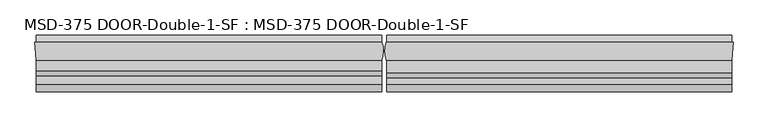
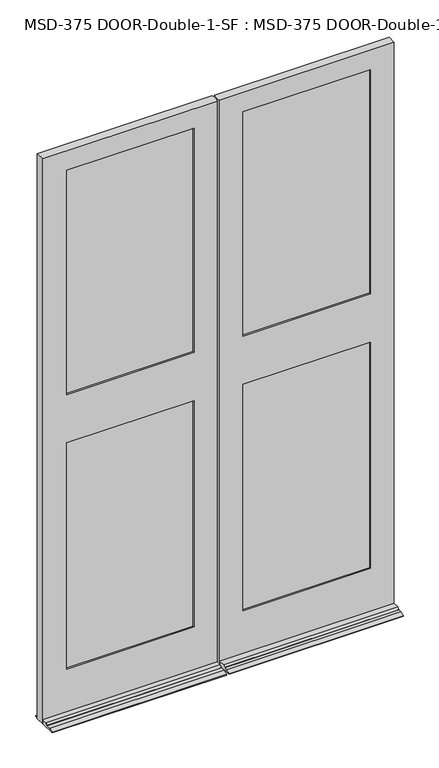
"""IFC4 building model written with IfcOpenShell, lengths in millimetres: plate geometry, MSD-375 DOOR-Double-1-SF : MSD-375 DOOR-Double-1-SF."""

from ifc_helpers import new_model, si_unit, frame, origin, place, context, project, spatial, polyline, circle_curve, outline, extrude, source, transform, mapped, element, save
from ifc_brep_helpers import plane_surface, cylinder_surface, advanced_brep


def msd_375_door_double_1_sf_msd_375_door_double_1_sf_8f9e83a0(model_context):
    return source(origin(), model_context, "Body", "SolidModel", [
        advanced_brep(
        [(-875.0542327, -44.45, 0.0), (-877.8228327, 0.0, 0.0), (-874.8313901, 0.0, 0.0), (-874.8313901, 19.05, 0.0), (-6.1450388, 19.05, 0.0), (-6.1450388, 0.0, 0.0), (-5.5889985, 0.0, 0.0), (-6.1450388, -44.45, 0.0), (-6.1450388, -123.825, 0.0), (-874.8313901, -123.825, 0.0), (-874.8313901, -44.45, 0.0), (-6.1450388, -44.45, 21.4376), (-6.1450388, -70.3199, 21.4376), (-6.1450388, -82.7405, 14.2748), (-6.1450388, -82.7405, 12.7), (-6.1450388, -104.775, 12.7), (-6.1450388, -123.825, 3.175), (-6.1450388, 19.05, 3.175), (-6.1450388, 0.0, 12.7), (-874.8313901, 0.0, 12.7), (-874.8313901, 19.05, 3.175), (-874.8313901, -123.825, 3.175), (-874.8313901, -104.775, 12.7), (-874.8313901, -82.7405, 12.7), (-874.8313901, -82.7405, 14.2748), (-874.8313901, -70.3199, 21.4376), (-874.8313901, -44.45, 21.4376), (-122.2373508, -11.6078, 1670.8374), (-122.2373508, -37.0078, 1670.8374), (-122.2373508, -37.0078, 1456.5122), (-122.2373508, -11.6078, 1456.5122), (-122.2373508, 0.0, 1436.6748), (-122.2373508, 0.0, 246.0625), (-122.2373508, -11.6078, 246.0625), (-122.2373508, -11.6078, 1436.6748), (-122.2373508, -11.6078, 1690.6748), (-122.2373508, -11.6078, 2870.2), (-122.2373508, 0.0, 2870.2), (-122.2373508, 0.0, 1690.6748), (-102.3999508, -37.0078, 2890.0374), (-102.3999508, -11.6078, 2890.0374), (-102.3999508, -11.6078, 226.21875), (-102.3999508, -37.0078, 226.21875), (-122.2373508, -37.0078, 1436.6748), (-122.2373508, -37.0078, 246.0625), (-122.2373508, -44.45, 246.0625), (-122.2373508, -44.45, 1436.6748), (-122.2373508, -44.45, 1690.6748), (-122.2373508, -44.45, 2870.2), (-122.2373508, -37.0078, 2870.2), (-122.2373508, -37.0078, 1690.6748), (-757.1728327, -44.45, 246.0625), (-757.1728327, -37.0078, 246.0625), (-757.1728327, -37.0078, 1436.6748), (-757.1728327, -44.45, 1436.6748), (-757.1728327, -37.0078, 2870.2), (-757.1728327, -44.45, 2870.2), (-757.1728327, -44.45, 1690.6748), (-757.1728327, -37.0078, 1690.6748), (-777.0102327, -11.6078, 2890.0374), (-777.0102327, -37.0078, 2890.0374), (-777.0102327, -37.0078, 226.21875), (-777.0102327, -11.6078, 226.21875), (-757.1728327, -11.6078, 246.0625), (-757.1728327, 0.0, 246.0625), (-757.1728327, 0.0, 1436.6748), (-757.1728327, -11.6078, 1436.6748), (-757.1728327, 0.0, 2870.2), (-757.1728327, -11.6078, 2870.2), (-757.1728327, -11.6078, 1690.6748), (-757.1728327, 0.0, 1690.6748), (-757.1728327, -11.6078, 1670.8374), (-757.1728327, -37.0078, 1670.8374), (-757.1728327, -37.0078, 1456.5122), (-757.1728327, -11.6078, 1456.5122), (-5.5889985, 0.0, 2971.8), (-6.1450388, -44.45, 2971.8), (-875.0542327, -44.45, 2971.8), (-877.8228327, 0.0, 2971.8)],
        [
            (0, 1),
            (1, 2),
            (2, 3),
            (3, 4),
            (4, 5),
            (5, 6),
            (6, 7, circle_curve(frame((-61.4514685, -21.529675, 0.0), z_axis=(0.0, 0.0, -1.0), x_axis=(0.0, -1.0, 0.0)), 59.867708)),
            (7, 8),
            (8, 9),
            (9, 10),
            (10, 0),
            (11, 12),
            (12, 13),
            (13, 14),
            (14, 15),
            (15, 16),
            (16, 8),
            (7, 11),
            (4, 17),
            (17, 18),
            (18, 5),
            (19, 20),
            (20, 3),
            (2, 19),
            (9, 21),
            (21, 22),
            (22, 23),
            (23, 24),
            (24, 25),
            (25, 26),
            (26, 10),
            (27, 28),
            (28, 29),
            (29, 30),
            (30, 27),
            (31, 32),
            (32, 33),
            (33, 34),
            (34, 31),
            (35, 36),
            (36, 37),
            (37, 38),
            (38, 35),
            (39, 40),
            (40, 41),
            (41, 42),
            (42, 39),
            (43, 44),
            (44, 45),
            (45, 46),
            (46, 43),
            (47, 48),
            (48, 49),
            (49, 50),
            (50, 47),
            (51, 52),
            (52, 53),
            (53, 54),
            (54, 51),
            (55, 56),
            (56, 57),
            (57, 58),
            (58, 55),
            (59, 60),
            (60, 61),
            (61, 62),
            (62, 59),
            (63, 64),
            (64, 65),
            (65, 66),
            (66, 63),
            (67, 68),
            (68, 69),
            (69, 70),
            (70, 67),
            (63, 33),
            (32, 64),
            (61, 42),
            (41, 62),
            (51, 45),
            (44, 52),
            (11, 26),
            (25, 12),
            (24, 13),
            (23, 14),
            (22, 15),
            (21, 16),
            (20, 17),
            (19, 18),
            (38, 70),
            (69, 35),
            (27, 71),
            (71, 72),
            (72, 28),
            (50, 58),
            (57, 47),
            (46, 54),
            (53, 43),
            (29, 73),
            (73, 74),
            (74, 30),
            (34, 66),
            (65, 31),
            (75, 76, circle_curve(frame((-61.4514685, -21.529675, 2971.8), z_axis=(0.0, 0.0, -1.0), x_axis=(0.0, -1.0, 0.0)), 59.867708)),
            (76, 11),
            (6, 75),
            (77, 78),
            (78, 1),
            (0, 77),
            (78, 75),
            (37, 67),
            (36, 68),
            (40, 59),
            (74, 71),
            (39, 60),
            (49, 55),
            (72, 73),
            (48, 56),
            (76, 77),
        ],
        [
            plane_surface(frame((-882.65, -24.3078, 0.0), z_axis=(0.0, 0.0, -1.0), x_axis=(0.0, -1.0, 0.0))),
            plane_surface(frame((-6.1450388, -24.3078, 0.0), z_axis=(1.0, 0.0, 0.0), x_axis=(0.0, -1.0, 0.0))),
            plane_surface(frame((-874.8313901, -24.3078, 0.0), z_axis=(-1.0, 0.0, 0.0), x_axis=(0.0, -1.0, 0.0))),
            plane_surface(frame((-122.2373508, -24.3078, 1492.25), z_axis=(1.0, 0.0, 0.0), x_axis=(0.0, -1.0, 0.0))),
            plane_surface(frame((-122.2373508, 0.0, 2971.8), z_axis=(-1.0, 0.0, 0.0), x_axis=(0.0, 0.0, -1.0))),
            plane_surface(frame((-102.3999508, -11.6078, 2971.8), z_axis=(-1.0, 0.0, 0.0), x_axis=(0.0, 0.0, -1.0))),
            plane_surface(frame((-122.2373508, -37.0078, 2971.8), z_axis=(-1.0, 0.0, 0.0), x_axis=(0.0, 0.0, -1.0))),
            plane_surface(frame((-757.1728327, -44.45, 2971.8), z_axis=(1.0, 0.0, 0.0), x_axis=(0.0, 0.0, -1.0))),
            plane_surface(frame((-777.0102327, -37.0078, 2971.8), z_axis=(1.0, 0.0, 0.0), x_axis=(0.0, 0.0, -1.0))),
            plane_surface(frame((-757.1728327, -11.6078, 2971.8), z_axis=(1.0, 0.0, 0.0), x_axis=(0.0, 0.0, -1.0))),
            plane_surface(frame((-6.1450388, 0.0, 246.0625), z_axis=(0.0, 0.0, 1.0), x_axis=(-1.0, 0.0, 0.0))),
            plane_surface(frame((-6.1450388, -11.6078, 226.21875), z_axis=(0.0, 0.0, 1.0), x_axis=(-1.0, 0.0, 0.0))),
            plane_surface(frame((-6.1450388, -37.0078, 246.0625), z_axis=(0.0, 0.0, 1.0), x_axis=(-1.0, 0.0, 0.0))),
            plane_surface(frame((-6.1450388, -44.45, 21.4376), z_axis=(0.0, 0.0, 1.0), x_axis=(-1.0, 0.0, 0.0))),
            plane_surface(frame((-6.1450388, -70.3199, 21.4376), z_axis=(0.0, -0.499569084188723, 0.8662740502420933), x_axis=(-1.0, 0.0, 0.0))),
            plane_surface(frame((-6.1450388, -82.7405, 14.2748), z_axis=(0.0, -1.0, 0.0), x_axis=(-1.0, 0.0, 0.0))),
            plane_surface(frame((-6.1450388, -82.7405, 12.7), z_axis=(0.0, 0.0, 1.0), x_axis=(-1.0, 0.0, 0.0))),
            plane_surface(frame((-6.1450388, -104.775, 12.7), z_axis=(0.0, -0.44721359549995665, 0.8944271909999165), x_axis=(-1.0, 0.0, 0.0))),
            plane_surface(frame((-6.1450388, -123.825, 3.175), z_axis=(0.0, -1.0, 0.0), x_axis=(-1.0, 0.0, 0.0))),
            plane_surface(frame((-6.1450388, 19.05, 0.0), z_axis=(0.0, 1.0, 0.0), x_axis=(-1.0, 0.0, 0.0))),
            plane_surface(frame((-6.1450388, 19.05, 3.175), z_axis=(0.0, 0.4472135954998658, 0.8944271909999619), x_axis=(-1.0, 0.0, 0.0))),
            plane_surface(frame((-122.2373508, 0.0, 1690.6748), z_axis=(0.0, 0.0, 1.0), x_axis=(-1.0, 0.0, 0.0))),
            plane_surface(frame((-122.2373508, -11.6078, 1670.8374), z_axis=(0.0, 0.0, 1.0), x_axis=(-1.0, 0.0, 0.0))),
            plane_surface(frame((-122.2373508, -37.0078, 1690.6748), z_axis=(0.0, 0.0, 1.0), x_axis=(-1.0, 0.0, 0.0))),
            plane_surface(frame((-122.2373508, -44.45, 1436.6748), z_axis=(0.0, 0.0, -1.0), x_axis=(-1.0, 0.0, 0.0))),
            plane_surface(frame((-122.2373508, -37.0078, 1456.5122), z_axis=(0.0, 0.0, -1.0), x_axis=(-1.0, 0.0, 0.0))),
            plane_surface(frame((-122.2373508, -11.6078, 1436.6748), z_axis=(0.0, 0.0, -1.0), x_axis=(-1.0, 0.0, 0.0))),
            cylinder_surface(frame((-61.4514685, -21.529675, 2971.8), z_axis=(0.0, 0.0, 1.0), x_axis=(0.0, -1.0, 0.0)), 59.867708),
            plane_surface(frame((-877.8228327, 0.0, 2971.8), z_axis=(-0.9980658706879192, -0.06216524565998223, 0.0), x_axis=(0.0, 0.0, -1.0))),
            plane_surface(frame((-875.0542327, 0.0, 2971.8), z_axis=(0.0, 1.0, 0.0), x_axis=(1.0, 0.0, 0.0))),
            plane_surface(frame((-875.0542327, 0.0, 2870.2), z_axis=(0.0, 0.0, -1.0), x_axis=(1.0, 0.0, 0.0))),
            plane_surface(frame((-875.0542327, -11.6078, 2870.2), z_axis=(0.0, -1.0, 0.0), x_axis=(1.0, 0.0, 0.0))),
            plane_surface(frame((-875.0542327, -11.6078, 2890.0374), z_axis=(0.0, 0.0, -1.0), x_axis=(1.0, 0.0, 0.0))),
            plane_surface(frame((-875.0542327, -37.0078, 2890.0374), z_axis=(0.0, 1.0, 0.0), x_axis=(1.0, 0.0, 0.0))),
            plane_surface(frame((-875.0542327, -37.0078, 2870.2), z_axis=(0.0, 0.0, -1.0), x_axis=(1.0, 0.0, 0.0))),
            plane_surface(frame((-875.0542327, -44.45, 2870.2), z_axis=(0.0, -1.0, 0.0), x_axis=(1.0, 0.0, 0.0))),
            plane_surface(frame((-875.0542327, -44.45, 2971.8), z_axis=(0.0, 0.0, 1.0), x_axis=(1.0, 0.0, 0.0))),
            plane_surface(frame((-757.1728327, -24.3078, 1492.25), z_axis=(-1.0, 0.0, 0.0), x_axis=(0.0, -1.0, 0.0))),
        ],
        [
            (0, [[1, 2, 3, 4, 5, 6, 7, 8, 9, 10, 11]]),
            (1, [[12, 13, 14, 15, 16, 17, -8, 18]]),
            (1, [[19, 20, 21, -5]]),
            (2, [[22, 23, -3, 24]]),
            (2, [[25, 26, 27, 28, 29, 30, 31, -10]]),
            (3, [[32, 33, 34, 35]]),
            (4, [[36, 37, 38, 39]]),
            (4, [[40, 41, 42, 43]]),
            (5, [[44, 45, 46, 47]]),
            (6, [[48, 49, 50, 51]]),
            (6, [[52, 53, 54, 55]]),
            (7, [[56, 57, 58, 59]]),
            (7, [[60, 61, 62, 63]]),
            (8, [[64, 65, 66, 67]]),
            (9, [[68, 69, 70, 71]]),
            (9, [[72, 73, 74, 75]]),
            (10, [[-68, 76, -37, 77]]),
            (11, [[-66, 78, -46, 79]]),
            (12, [[-56, 80, -49, 81]]),
            (13, [[-12, 82, -30, 83]]),
            (14, [[-13, -83, -29, 84]]),
            (15, [[-14, -84, -28, 85]]),
            (16, [[-15, -85, -27, 86]]),
            (17, [[-16, -86, -26, 87]]),
            (18, [[-17, -87, -25, -9]]),
            (19, [[-19, -4, -23, 88]]),
            (20, [[-20, -88, -22, 89]]),
            (21, [[90, -74, 91, -43]]),
            (22, [[-32, 92, 93, 94]]),
            (23, [[95, -62, 96, -55]]),
            (24, [[97, -58, 98, -51]]),
            (25, [[-34, 99, 100, 101]]),
            (26, [[102, -70, 103, -39]]),
            (27, [[104, 105, -18, -7, 106]]),
            (28, [[107, 108, -1, 109]]),
            (29, [[-108, 110, -106, -6, -21, -89, -24, -2], [-90, -42, 111, -75], [-103, -69, -77, -36]]),
            (30, [[-72, -111, -41, 112]]),
            (31, [[-67, -79, -45, 113], [-92, -35, -101, 114], [-102, -38, -76, -71], [-91, -73, -112, -40]]),
            (32, [[-64, -113, -44, 115]]),
            (33, [[-65, -115, -47, -78], [-95, -54, 116, -63], [-94, 117, -99, -33], [-98, -57, -81, -48]]),
            (34, [[-60, -116, -53, 118]]),
            (35, [[-109, -11, -31, -82, -105, 119], [-97, -50, -80, -59], [-96, -61, -118, -52]]),
            (36, [[-107, -119, -104, -110]]),
            (37, [[-100, -117, -93, -114]]),
        ],
    ),
        advanced_brep(
        [(6.1450388, -44.45, 0.0), (5.5889985, 0.0, 0.0), (6.1450388, 0.0, 0.0), (6.1450388, 19.05, 0.0), (874.3187994, 19.05, 0.0), (874.3187994, 0.0, 0.0), (877.310242, 0.0, 0.0), (874.541642, -44.45, 0.0), (874.3187994, -44.45, 0.0), (874.3187994, -123.825, 0.0), (6.1450388, -123.825, 0.0), (874.3187994, -44.45, 21.4376), (874.3187994, -75.87615, 21.4376), (874.3187994, -88.29675, 14.2748), (874.3187994, -88.29675, 12.7), (874.3187994, -104.775, 12.7), (874.3187994, -123.825, 3.175), (874.3187994, 19.05, 3.175), (874.3187994, 0.0, 12.7), (6.1450388, 0.0, 12.7), (6.1450388, 19.05, 3.175), (6.1450388, -123.825, 3.175), (6.1450388, -104.775, 12.7), (6.1450388, -88.29675, 12.7), (6.1450388, -88.29675, 14.2748), (6.1450388, -75.87615, 21.4376), (6.1450388, -44.45, 21.4376), (5.5889985, -44.45, 2870.2), (5.5889985, -44.45, 2971.8), (5.5889985, -43.05935, 2971.8), (5.5889985, -43.05935, 2870.2), (122.2376492, -37.0078, 1670.8374), (122.2376492, -11.6078, 1670.8374), (122.2376492, -11.6078, 1456.5249), (122.2376492, -37.0078, 1456.5249), (122.2376492, -37.0078, 2870.2), (122.2376492, -44.45, 2870.2), (122.2376492, -44.45, 1690.6748), (122.2376492, -37.0078, 1690.6748), (122.2376492, -37.0078, 1436.6748), (122.2376492, -44.45, 1436.6748), (122.2376492, -44.45, 246.0625), (122.2376492, -37.0078, 246.0625), (102.4002492, -11.6078, 226.21875), (102.4002492, -11.6078, 2890.0374), (102.4002492, -37.0078, 2890.0374), (102.4002492, -37.0078, 226.21875), (122.2376492, 0.0, 2870.2), (122.2376492, -11.6078, 2870.2), (122.2376492, -11.6078, 1690.6748), (122.2376492, 0.0, 1690.6748), (122.2376492, 0.0, 1436.6748), (122.2376492, -11.6078, 1436.6748), (122.2376492, -11.6078, 246.0625), (122.2376492, 0.0, 246.0625), (756.660242, -11.6078, 2870.2), (756.660242, 0.0, 2870.2), (756.660242, 0.0, 1690.6748), (756.660242, -11.6078, 1690.6748), (756.660242, -11.6078, 1436.6748), (756.660242, 0.0, 1436.6748), (756.660242, 0.0, 246.0625), (756.660242, -11.6078, 246.0625), (776.497642, -11.6078, 2890.0374), (776.497642, -11.6078, 226.21875), (756.660242, -11.6078, 1456.5249), (756.660242, -11.6078, 1670.8374), (776.497642, -37.0078, 226.21875), (776.497642, -37.0078, 2890.0374), (756.660242, -37.0078, 246.0625), (756.660242, -37.0078, 1436.6748), (756.660242, -37.0078, 2870.2), (756.660242, -37.0078, 1690.6748), (756.660242, -37.0078, 1456.5249), (756.660242, -37.0078, 1670.8374), (756.660242, -44.45, 2870.2), (756.660242, -44.45, 1690.6748), (756.660242, -44.45, 1436.6748), (756.660242, -44.45, 246.0625), (6.1450388, -44.45, 2870.2), (874.541642, -44.45, 2971.8), (877.310242, 0.0, 2971.8), (5.5889985, 0.0, 2971.8)],
        [
            (0, 1, circle_curve(frame((61.4514685, -21.529675, 0.0), z_axis=(0.0, 0.0, -1.0), x_axis=(0.0, -1.0, 0.0)), 59.867708)),
            (1, 2),
            (2, 3),
            (3, 4),
            (4, 5),
            (5, 6),
            (6, 7),
            (7, 8),
            (8, 9),
            (9, 10),
            (10, 0),
            (11, 12),
            (12, 13),
            (13, 14),
            (14, 15),
            (15, 16),
            (16, 9),
            (8, 11),
            (4, 17),
            (17, 18),
            (18, 5),
            (19, 20),
            (20, 3),
            (2, 19),
            (10, 21),
            (21, 22),
            (22, 23),
            (23, 24),
            (24, 25),
            (25, 26),
            (26, 0),
            (27, 28),
            (28, 29),
            (29, 30),
            (30, 27),
            (31, 32),
            (32, 33),
            (33, 34),
            (34, 31),
            (35, 36),
            (36, 37),
            (37, 38),
            (38, 35),
            (39, 40),
            (40, 41),
            (41, 42),
            (42, 39),
            (43, 44),
            (44, 45),
            (45, 46),
            (46, 43),
            (47, 48),
            (48, 49),
            (49, 50),
            (50, 47),
            (51, 52),
            (52, 53),
            (53, 54),
            (54, 51),
            (55, 56),
            (56, 57),
            (57, 58),
            (58, 55),
            (59, 60),
            (60, 61),
            (61, 62),
            (62, 59),
            (63, 44),
            (43, 64),
            (64, 63),
            (62, 53),
            (52, 59),
            (48, 55),
            (58, 49),
            (65, 33),
            (32, 66),
            (66, 65),
            (67, 68),
            (68, 63),
            (64, 67),
            (45, 68),
            (67, 46),
            (42, 69),
            (69, 70),
            (70, 39),
            (71, 35),
            (38, 72),
            (72, 71),
            (34, 73),
            (73, 74),
            (74, 31),
            (75, 71),
            (72, 76),
            (76, 75),
            (77, 70),
            (69, 78),
            (78, 77),
            (27, 79),
            (79, 26),
            (26, 11),
            (7, 80),
            (80, 28),
            (78, 41),
            (40, 77),
            (36, 75),
            (76, 37),
            (81, 80),
            (6, 81),
            (18, 19),
            (1, 82),
            (82, 81),
            (54, 61),
            (60, 51),
            (56, 47),
            (50, 57),
            (30, 79, circle_curve(frame((61.4514685, -21.529675, 2870.2), z_axis=(0.0, 0.0, 1.0), x_axis=(0.0, -1.0, 0.0)), 59.867708)),
            (25, 12),
            (65, 73),
            (74, 66),
            (29, 82, circle_curve(frame((61.4514685, -21.529675, 2971.8), z_axis=(0.0, 0.0, -1.0), x_axis=(0.0, -1.0, 0.0)), 59.867708)),
            (24, 13),
            (23, 14),
            (22, 15),
            (21, 16),
            (20, 17),
        ],
        [
            plane_surface(frame((-882.65, -24.3078, 0.0), z_axis=(0.0, 0.0, -1.0), x_axis=(0.0, -1.0, 0.0))),
            plane_surface(frame((874.3187994, -24.3078, 0.0), z_axis=(1.0, 0.0, 0.0), x_axis=(0.0, -1.0, 0.0))),
            plane_surface(frame((6.1450388, -24.3078, 0.0), z_axis=(-1.0, 0.0, 0.0), x_axis=(0.0, -1.0, 0.0))),
            plane_surface(frame((5.5889985, -24.3078, 2984.5), z_axis=(-1.0, 0.0, 0.0), x_axis=(0.0, -1.0, 0.0))),
            plane_surface(frame((122.2376492, -24.3078, 1492.25), z_axis=(-1.0, 0.0, 0.0), x_axis=(0.0, -1.0, 0.0))),
            plane_surface(frame((122.2376492, -44.45, 2971.8), z_axis=(1.0, 0.0, 0.0), x_axis=(0.0, 0.0, -1.0))),
            plane_surface(frame((102.4002492, -37.0078, 2971.8), z_axis=(1.0, 0.0, 0.0), x_axis=(0.0, 0.0, -1.0))),
            plane_surface(frame((122.2376492, -11.6078, 2971.8), z_axis=(1.0, 0.0, 0.0), x_axis=(0.0, 0.0, -1.0))),
            plane_surface(frame((756.660242, 0.0, 2971.8), z_axis=(-1.0, 0.0, 0.0), x_axis=(0.0, 0.0, -1.0))),
            plane_surface(frame((756.660242, -11.6078, 2971.8), z_axis=(0.0, -1.0, 0.0), x_axis=(0.0, 0.0, -1.0))),
            plane_surface(frame((776.497642, -11.6078, 2971.8), z_axis=(-1.0, 0.0, 0.0), x_axis=(0.0, 0.0, -1.0))),
            plane_surface(frame((776.497642, -37.0078, 2971.8), z_axis=(0.0, 1.0, 0.0), x_axis=(0.0, 0.0, -1.0))),
            plane_surface(frame((756.660242, -37.0078, 2971.8), z_axis=(-1.0, 0.0, 0.0), x_axis=(0.0, 0.0, -1.0))),
            plane_surface(frame((756.660242, -44.45, 2971.8), z_axis=(0.0, -1.0, 0.0), x_axis=(0.0, 0.0, -1.0))),
            plane_surface(frame((874.541642, -44.45, 2971.8), z_axis=(0.9980658706879184, -0.062165245659993755, 0.0), x_axis=(0.0, 0.0, -1.0))),
            plane_surface(frame((877.310242, 0.0, 2971.8), z_axis=(0.0, 1.0, 0.0), x_axis=(0.0, 0.0, -1.0))),
            plane_surface(frame((5.5889985, 0.0, 2870.2), z_axis=(0.0, 0.0, -1.0), x_axis=(1.0, 0.0, 0.0))),
            plane_surface(frame((5.5889985, -11.6078, 2890.0374), z_axis=(0.0, 0.0, -1.0), x_axis=(1.0, 0.0, 0.0))),
            plane_surface(frame((5.5889985, -37.0078, 2870.2), z_axis=(0.0, 0.0, -1.0), x_axis=(1.0, 0.0, 0.0))),
            plane_surface(frame((874.3187994, 0.0, 246.0625), z_axis=(0.0, 0.0, 1.0), x_axis=(-1.0, 0.0, 0.0))),
            plane_surface(frame((874.3187994, -11.6078, 226.21875), z_axis=(0.0, 0.0, 1.0), x_axis=(-1.0, 0.0, 0.0))),
            plane_surface(frame((874.3187994, -37.0078, 246.0625), z_axis=(0.0, 0.0, 1.0), x_axis=(-1.0, 0.0, 0.0))),
            plane_surface(frame((874.3187994, -44.45, 21.4376), z_axis=(0.0, 0.0, 1.0), x_axis=(-1.0, 0.0, 0.0))),
            plane_surface(frame((756.660242, -44.45, 1436.6748), z_axis=(0.0, 0.0, -1.0), x_axis=(-1.0, 0.0, 0.0))),
            plane_surface(frame((756.660242, -37.0078, 1456.5249), z_axis=(0.0, 0.0, -1.0), x_axis=(-1.0, 0.0, 0.0))),
            plane_surface(frame((756.660242, -11.6078, 1436.6748), z_axis=(0.0, 0.0, -1.0), x_axis=(-1.0, 0.0, 0.0))),
            plane_surface(frame((756.660242, 0.0, 1690.6748), z_axis=(0.0, 0.0, 1.0), x_axis=(-1.0, 0.0, 0.0))),
            plane_surface(frame((756.660242, -11.6078, 1670.8374), z_axis=(0.0, 0.0, 1.0), x_axis=(-1.0, 0.0, 0.0))),
            plane_surface(frame((756.660242, -37.0078, 1690.6748), z_axis=(0.0, 0.0, 1.0), x_axis=(-1.0, 0.0, 0.0))),
            cylinder_surface(frame((61.4514685, -21.529675, 2971.8), z_axis=(0.0, 0.0, 1.0), x_axis=(0.0, -1.0, 0.0)), 59.867708),
            plane_surface(frame((-875.0542327, -44.45, 2971.8), z_axis=(0.0, 0.0, 1.0), x_axis=(1.0, 0.0, 0.0))),
            plane_surface(frame((874.3187994, -75.87615, 21.4376), z_axis=(0.0, -0.49956908418867013, 0.8662740502421237), x_axis=(-1.0, 0.0, 0.0))),
            plane_surface(frame((874.3187994, -88.29675, 14.2748), z_axis=(0.0, -1.0, 0.0), x_axis=(-1.0, 0.0, 0.0))),
            plane_surface(frame((874.3187994, -88.29675, 12.7), z_axis=(0.0, 0.0, 1.0), x_axis=(-1.0, 0.0, 0.0))),
            plane_surface(frame((874.3187994, -104.775, 12.7), z_axis=(0.0, -0.44721359549996115, 0.8944271909999144), x_axis=(-1.0, 0.0, 0.0))),
            plane_surface(frame((874.3187994, -123.825, 3.175), z_axis=(0.0, -1.0, 0.0), x_axis=(-1.0, 0.0, 0.0))),
            plane_surface(frame((874.3187994, 19.05, 0.0), z_axis=(0.0, 1.0, 0.0), x_axis=(-1.0, 0.0, 0.0))),
            plane_surface(frame((874.3187994, 19.05, 3.175), z_axis=(0.0, 0.4472135954999116, 0.8944271909999391), x_axis=(-1.0, 0.0, 0.0))),
            plane_surface(frame((756.660242, -24.3078, 1492.25), z_axis=(1.0, 0.0, 0.0), x_axis=(0.0, -1.0, 0.0))),
        ],
        [
            (0, [[1, 2, 3, 4, 5, 6, 7, 8, 9, 10, 11]]),
            (1, [[12, 13, 14, 15, 16, 17, -9, 18]]),
            (1, [[19, 20, 21, -5]]),
            (2, [[22, 23, -3, 24]]),
            (2, [[25, 26, 27, 28, 29, 30, 31, -11]]),
            (3, [[32, 33, 34, 35]]),
            (4, [[36, 37, 38, 39]]),
            (5, [[40, 41, 42, 43]]),
            (5, [[44, 45, 46, 47]]),
            (6, [[48, 49, 50, 51]]),
            (7, [[52, 53, 54, 55]]),
            (7, [[56, 57, 58, 59]]),
            (8, [[60, 61, 62, 63]]),
            (8, [[64, 65, 66, 67]]),
            (9, [[68, -48, 69, 70], [-67, 71, -57, 72], [73, -63, 74, -53], [75, -37, 76, 77]]),
            (10, [[78, 79, -70, 80]]),
            (11, [[81, -78, 82, -50], [-47, 83, 84, 85], [86, -43, 87, 88], [89, 90, 91, -39]]),
            (12, [[92, -88, 93, 94]]),
            (12, [[95, -84, 96, 97]]),
            (13, [[-32, 98, 99, 100, -18, -8, 101, 102], [-97, 103, -45, 104], [105, -94, 106, -41]]),
            (14, [[107, -101, -7, 108]]),
            (15, [[-108, -6, -21, 109, -24, -2, 110, 111], [-59, 112, -65, 113], [114, -55, 115, -61]]),
            (16, [[-73, -52, -114, -60]]),
            (17, [[-79, -81, -49, -68]]),
            (18, [[-98, -35, 116]]),
            (18, [[-105, -40, -86, -92]]),
            (19, [[-112, -58, -71, -66]]),
            (20, [[-82, -80, -69, -51]]),
            (21, [[-83, -46, -103, -96]]),
            (22, [[-12, -100, -30, 117]]),
            (23, [[-104, -44, -85, -95]]),
            (24, [[118, -89, -38, -75]]),
            (25, [[-72, -56, -113, -64]]),
            (26, [[-115, -54, -74, -62]]),
            (27, [[119, -76, -36, -91]]),
            (28, [[-106, -93, -87, -42]]),
            (29, [[-1, -31, -99, -116, -34, 120, -110]]),
            (30, [[-107, -111, -120, -33, -102]]),
            (31, [[-13, -117, -29, 121]]),
            (32, [[-14, -121, -28, 122]]),
            (33, [[-15, -122, -27, 123]]),
            (34, [[-16, -123, -26, 124]]),
            (35, [[-17, -124, -25, -10]]),
            (36, [[-19, -4, -23, 125]]),
            (37, [[-109, -20, -125, -22]]),
            (38, [[-118, -77, -119, -90]]),
        ],
    ),
        extrude(outline(polyline([(-777.0102327, -11.6078), (-102.4001, -11.6078), (-102.4001, -16.6878), (-777.0102327, -16.6878), (-777.0102327, -11.6078)])), frame((0.0, 0.0, 226.21875), z_axis=(0.0, 0.0, 1.0), x_axis=(1.0, 0.0, 0.0)), (0.0, 0.0, 1.0), 1230.30615),
        extrude(outline(polyline([(-102.4001, -26.0858), (-102.4001, -31.1658), (-777.0102327, -31.1658), (-777.0102327, -26.0858), (-102.4001, -26.0858)])), frame((0.0, 0.0, 226.21875), z_axis=(0.0, 0.0, 1.0), x_axis=(1.0, 0.0, 0.0)), (0.0, 0.0, 1.0), 1230.30615),
        extrude(outline(polyline([(-777.0102327, -31.9278), (-102.4001, -31.9278), (-102.4001, -37.0078), (-777.0102327, -37.0078), (-777.0102327, -31.9278)])), frame((0.0, 0.0, 226.21875), z_axis=(0.0, 0.0, 1.0), x_axis=(1.0, 0.0, 0.0)), (0.0, 0.0, 1.0), 1230.30615),
        extrude(outline(polyline([(102.4002492, -11.6078), (776.497642, -11.6078), (776.497642, -16.6878), (102.4002492, -16.6878), (102.4002492, -11.6078)])), frame((0.0, 0.0, 226.21875), z_axis=(0.0, 0.0, 1.0), x_axis=(1.0, 0.0, 0.0)), (0.0, 0.0, 1.0), 1230.30615),
        extrude(outline(polyline([(776.497642, -26.0858), (776.497642, -31.1658), (102.4002492, -31.1658), (102.4002492, -26.0858), (776.497642, -26.0858)])), frame((0.0, 0.0, 226.21875), z_axis=(0.0, 0.0, 1.0), x_axis=(1.0, 0.0, 0.0)), (0.0, 0.0, 1.0), 1230.30615),
        extrude(outline(polyline([(102.4002492, -31.9278), (776.497642, -31.9278), (776.497642, -37.0078), (102.4002492, -37.0078), (102.4002492, -31.9278)])), frame((0.0, 0.0, 226.21875), z_axis=(0.0, 0.0, 1.0), x_axis=(1.0, 0.0, 0.0)), (0.0, 0.0, 1.0), 1230.30615),
        extrude(outline(polyline([(-777.0102327, -11.6078), (-102.3999508, -11.6078), (-102.3999508, -16.6878), (-777.0102327, -16.6878), (-777.0102327, -11.6078)])), frame((0.0, 0.0, 1670.8374), z_axis=(0.0, 0.0, 1.0), x_axis=(1.0, 0.0, 0.0)), (0.0, 0.0, 1.0), 1219.2),
        extrude(outline(polyline([(-102.4001, -26.0858), (-102.4001, -31.1658), (-777.0102327, -31.1658), (-777.0102327, -26.0858), (-102.4001, -26.0858)])), frame((0.0, 0.0, 1670.8374), z_axis=(0.0, 0.0, 1.0), x_axis=(1.0, 0.0, 0.0)), (0.0, 0.0, 1.0), 1219.2),
        extrude(outline(polyline([(-102.4001, -31.9278), (-102.4001, -37.0078), (-777.0102327, -37.0078), (-777.0102327, -31.9278), (-102.4001, -31.9278)])), frame((0.0, 0.0, 1670.8374), z_axis=(0.0, 0.0, 1.0), x_axis=(1.0, 0.0, 0.0)), (0.0, 0.0, 1.0), 1219.2),
        extrude(outline(polyline([(776.497642, -11.6078), (776.497642, -16.6878), (102.4002492, -16.6878), (102.4002492, -11.6078), (776.497642, -11.6078)])), frame((0.0, 0.0, 1670.8374), z_axis=(0.0, 0.0, 1.0), x_axis=(1.0, 0.0, 0.0)), (0.0, 0.0, 1.0), 1219.2),
        extrude(outline(polyline([(102.4002492, -26.0858), (776.497642, -26.0858), (776.497642, -31.1658), (102.4002492, -31.1658), (102.4002492, -26.0858)])), frame((0.0, 0.0, 1670.8374), z_axis=(0.0, 0.0, 1.0), x_axis=(1.0, 0.0, 0.0)), (0.0, 0.0, 1.0), 1219.2),
        extrude(outline(polyline([(776.497642, -31.9278), (776.497642, -37.0078), (102.4002492, -37.0078), (102.4002492, -31.9278), (776.497642, -31.9278)])), frame((0.0, 0.0, 1670.8374), z_axis=(0.0, 0.0, 1.0), x_axis=(1.0, 0.0, 0.0)), (0.0, 0.0, 1.0), 1219.2),
    ])


if __name__ == "__main__":
    model = new_model("IFC4")
    model_context = context("Model", 3, world=origin())
    ifc_project = project(units=[si_unit("LENGTHUNIT", "METRE", prefix="MILLI")], contexts=[model_context])
    site = spatial("IfcSite", under=ifc_project)
    building = spatial("IfcBuilding", under=site)
    placement = place(None, origin())
    msd_375_door_double_1_sf_msd_375_door_double_1_sf_shape = msd_375_door_double_1_sf_msd_375_door_double_1_sf_8f9e83a0(model_context)
    element("IfcPlate", 1, ObjectType="MSD-375 DOOR-Double-1-SF : MSD-375 DOOR-Double-1-SF", at=placement, inside=building, context=model_context, shape_type="MappedRepresentation", body=[
        mapped(msd_375_door_double_1_sf_msd_375_door_double_1_sf_shape, transform((0.0, 0.0, 0.0), x_axis=(1.0, 0.0, 0.0), y_axis=(0.0, 1.0, 0.0), z_axis=(0.0, 0.0, 1.0))),
    ])
    save(model, "model.ifc")
